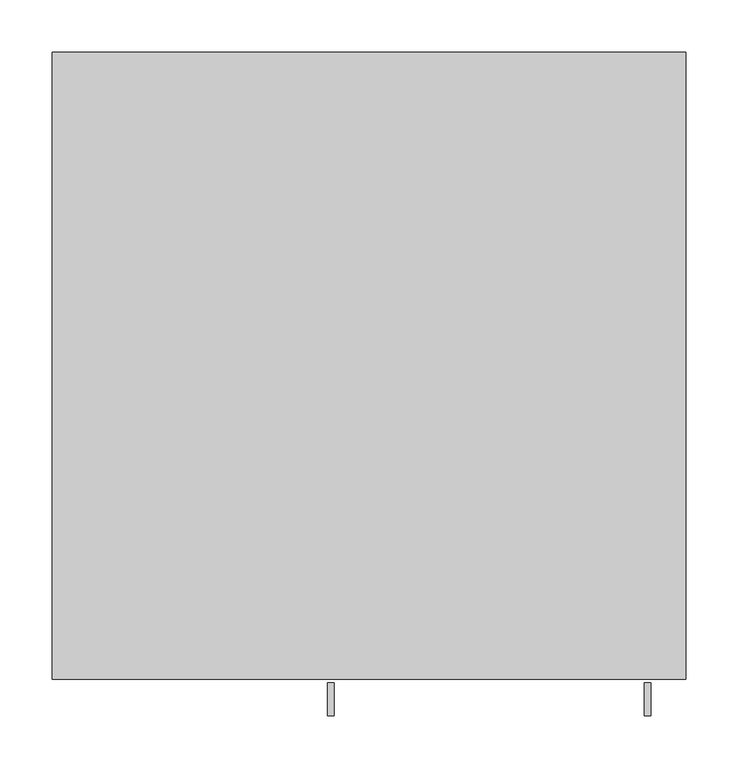
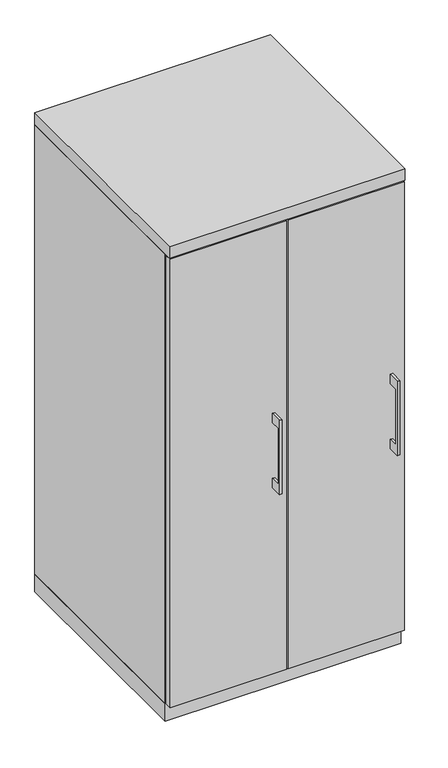
"""IFC4 building model written with IfcOpenShell, lengths in millimetres: furniture geometry."""

from ifc_helpers import new_model, si_unit, frame, origin, origin_with_axes, place, context, project, spatial, polyline, outline, extrude, source, transform, mapped, element, save


def furniture_c66ef4cb(model_context):
    return source(origin(), model_context, "Body", "SweptSolid", [
        extrude(outline(polyline([(-606.425, 736.6), (-631.8249758, 736.6), (-631.8249758, 584.2), (-606.425, 584.2), (-606.425, 558.8), (-638.1749879, 558.8), (-638.1749879, 762.0), (-606.425, 762.0), (-606.425, 736.6)])), frame((265.1125121, 0.0, 0.0), z_axis=(1.0, 0.0, 0.0), x_axis=(0.0, 1.0, 0.0)), (0.0, 0.0, 1.0), 6.3499758),
        extrude(outline(polyline([(303.2125, -603.25), (1.5875, -603.25), (1.5875, -584.2), (303.2125, -584.2), (303.2125, -603.25)])), frame((0.0, 0.0, 47.625), z_axis=(0.0, 0.0, 1.0), x_axis=(1.0, 0.0, 0.0)), (0.0, 0.0, 1.0), 1225.55),
        extrude(outline(polyline([(-606.425, 736.6), (-631.8249758, 736.6), (-631.8249758, 584.2), (-606.425, 584.2), (-606.425, 558.8), (-638.1749879, 558.8), (-638.1749879, 762.0), (-606.425, 762.0), (-606.425, 736.6)])), frame((-39.6874879, 0.0, 0.0), z_axis=(1.0, 0.0, 0.0), x_axis=(0.0, 1.0, 0.0)), (0.0, 0.0, 1.0), 6.3499758),
        extrude(outline(polyline([(-1.5875, -603.25), (-303.2125, -603.25), (-303.2125, -584.2), (-1.5875, -584.2), (-1.5875, -603.25)])), frame((0.0, 0.0, 47.625), z_axis=(0.0, 0.0, 1.0), x_axis=(1.0, 0.0, 0.0)), (0.0, 0.0, 1.0), 1225.55),
        extrude(outline(polyline([(304.8, 0.0), (304.8, -584.2), (-304.8, -584.2), (-304.8, 0.0), (304.8, 0.0)])), origin_with_axes(), (0.0, 0.0, 1.0), 47.625),
        extrude(outline(polyline([(304.8, 0.0), (304.8, -603.25), (-304.8, -603.25), (-304.8, 0.0), (304.8, 0.0)])), frame((0.0, 0.0, 1276.35), z_axis=(0.0, 0.0, 1.0), x_axis=(1.0, 0.0, 0.0)), (0.0, 0.0, 1.0), 31.75),
        extrude(outline(polyline([(304.8, 0.0), (304.8, -584.2), (285.75, -584.2), (285.75, -19.05), (9.525, -19.05), (9.525, -584.2), (-9.525, -584.2), (-9.525, -19.05), (-285.75, -19.05), (-285.75, -584.2), (-304.8, -584.2), (-304.8, 0.0), (304.8, 0.0)])), frame((0.0, 0.0, 47.625), z_axis=(0.0, 0.0, 1.0), x_axis=(1.0, 0.0, 0.0)), (0.0, 0.0, 1.0), 1228.725),
    ])


if __name__ == "__main__":
    model = new_model("IFC4")
    model_context = context("Model", 3, world=origin())
    ifc_project = project(units=[si_unit("LENGTHUNIT", "METRE", prefix="MILLI")], contexts=[model_context])
    site = spatial("IfcSite", under=ifc_project)
    building = spatial("IfcBuilding", under=site)
    placement = place(None, origin())
    furniture_shape = furniture_c66ef4cb(model_context)
    element("IfcFurniture", 1, at=placement, inside=building, context=model_context, shape_type="MappedRepresentation", body=[
        mapped(furniture_shape, transform((0.0, 0.0, 0.0), x_axis=(1.0, 0.0, 0.0), y_axis=(0.0, 1.0, 0.0), z_axis=(0.0, 0.0, 1.0))),
    ])
    save(model, "model.ifc")
